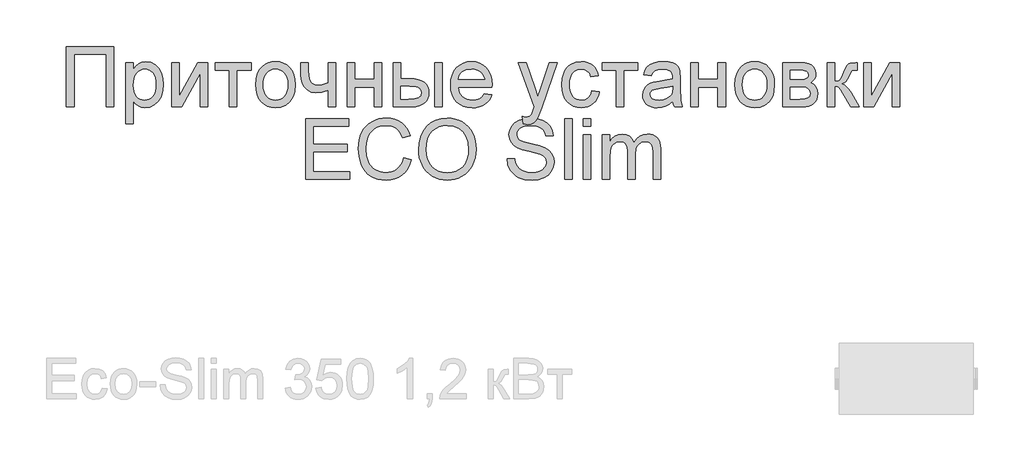
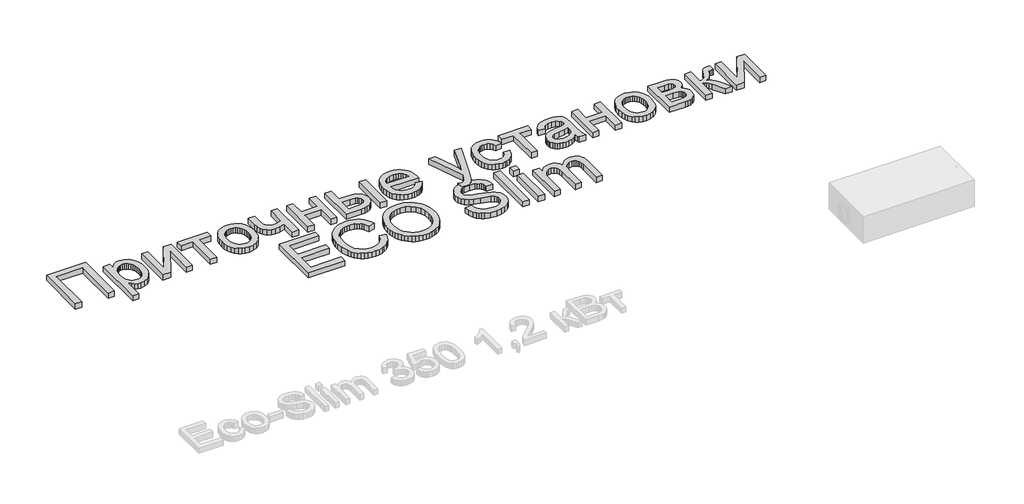
# One storey, part 42 of 74: 1 proxy.
"""IFC4 building model written with IfcOpenShell, lengths in millimetres."""

from ifc_helpers import new_model, si_unit, origin, origin_with_axes, place, context, project, spatial, polyline, outline, extrude, element, save

model = new_model("IFC4")

# Units and contexts
model_context = context("Model", 3, world=origin())
ifc_project = project(units=[si_unit("LENGTHUNIT", "METRE", prefix="MILLI")], contexts=[model_context])

# Site, building, storey
site = spatial("IfcSite", under=ifc_project)
building = spatial("IfcBuilding", under=site)
storey = spatial("IfcBuildingStorey", under=building, Elevation=0.0)

# Proxy
placement = place(None, origin())
element("IfcBuildingElementProxy", 1, Name="Generic Models", at=placement, inside=storey, context=model_context, shape_type="SweptSolid", body=[
    extrude(outline(polyline([(23192.3694949, -1277.4716513), (23543.6633565, -1277.4716513), (23543.6633565, -1727.1277941), (23487.4563387, -1727.1277941), (23487.4563387, -1333.6786691), (23248.5765128, -1333.6786691), (23248.5765128, -1727.1277941), (23192.3694949, -1727.1277941), (23192.3694949, -1277.4716513)])), origin_with_axes(), (0.0, 0.0, 1.0), 50.0),
    extrude(outline(polyline([(23634.9997605, -1853.5935843), (23634.9997605, -1396.9115642), (23691.2067784, -1396.9115642), (23691.2067784, -1452.0207887), (23709.5399268, -1424.8366817), (23730.0686618, -1405.4194624), (23754.0005561, -1393.7691308), (23782.5431824, -1389.885687), (23820.554276, -1395.3197639), (23853.7899687, -1411.6219947), (23880.850574, -1437.8043653), (23900.3364053, -1472.8788618), (23912.1102387, -1514.2931147), (23916.0348498, -1559.4947545), (23911.6025093, -1607.5643794), (23898.3054877, -1650.5567102), (23876.56918, -1686.2898827), (23846.8189811, -1712.5820326), (23812.1698795, -1728.7607616), (23775.7368638, -1734.1536713), (23749.8975536, -1730.5446758), (23726.8301715, -1719.7176892), (23707.0836142, -1703.3742912), (23691.2067784, -1683.2160614), (23691.2067784, -1853.5935843), (23634.9997605, -1853.5935843)]), holes=[polyline([(23691.2067784, -1564.6543831), (23692.726536, -1591.7424332), (23697.2858089, -1615.0430964), (23704.884597, -1634.5563726), (23715.5229004, -1650.2822619), (23728.3293455, -1662.3854332), (23742.4325591, -1671.0305556), (23757.8325409, -1676.217629), (23774.5292912, -1677.9466535), (23791.4661837, -1676.1558781), (23807.1474751, -1670.7835521), (23821.5731654, -1661.8296753), (23834.7432546, -1649.2942479), (23845.7177572, -1632.9988783), (23853.5566876, -1612.7651752), (23858.2600459, -1588.5931386), (23859.8278319, -1560.4827685), (23858.2977825, -1533.6279995), (23853.7076342, -1510.3685036), (23846.057387, -1490.7042808), (23835.347041, -1474.6353311), (23822.5097203, -1462.1479321), (23808.4785495, -1453.2283614), (23793.2535284, -1447.876619), (23776.8346571, -1446.0927048), (23760.4672449, -1447.9898289), (23745.067263, -1453.6812011), (23730.6347115, -1463.1668215), (23717.1695903, -1476.4466901), (23705.8108601, -1493.3424153), (23697.6974814, -1513.6756059), (23692.8294541, -1537.4462619), (23691.2067784, -1564.6543831)])]), origin_with_axes(), (0.0, 0.0, 1.0), 50.0),
    extrude(outline(polyline([(23979.2677449, -1396.9115642), (24035.4747627, -1396.9115642), (24035.4747627, -1648.7453512), (24173.5771621, -1396.9115642), (24246.2510797, -1396.9115642), (24246.2510797, -1727.1277941), (24190.0440618, -1727.1277941), (24190.0440618, -1476.8309177), (24052.8198971, -1727.1277941), (23979.2677449, -1727.1277941), (23979.2677449, -1396.9115642)])), origin_with_axes(), (0.0, 0.0, 1.0), 50.0),
    extrude(outline(polyline([(24302.4580975, -1396.9115642), (24569.4414323, -1396.9115642), (24569.4414323, -1453.1185821), (24464.0532738, -1453.1185821), (24464.0532738, -1727.1277941), (24407.846256, -1727.1277941), (24407.846256, -1453.1185821), (24302.4580975, -1453.1185821), (24302.4580975, -1396.9115642)])), origin_with_axes(), (0.0, 0.0, 1.0), 50.0),
    extrude(outline(polyline([(24604.5708185, -1562.0196791), (24607.6103337, -1519.2537682), (24616.7288795, -1482.4022188), (24631.9264557, -1451.4650309), (24653.2030624, -1426.4422044), (24674.6237545, -1410.4487281), (24698.2674781, -1399.0248163), (24724.1342332, -1392.1704693), (24752.2240197, -1389.885687), (24783.2332503, -1392.6679069), (24811.2715777, -1401.0145667), (24836.339002, -1414.9256664), (24858.4355231, -1434.401206), (24876.470209, -1458.7825095), (24889.3521274, -1487.4109008), (24897.0812785, -1520.2863801), (24899.6576622, -1557.4089472), (24895.1018199, -1614.1923066), (24889.4070171, -1637.4998309), (24881.4342931, -1657.4179184), (24859.0530319, -1689.7890989), (24828.3559862, -1714.0091639), (24791.8955257, -1729.1175445), (24752.2240197, -1734.1536713), (24720.7619493, -1731.3817432), (24692.462896, -1723.0659588), (24667.3268596, -1709.2063182), (24645.3538402, -1689.8028213), (24627.5112682, -1665.1848062), (24614.7665739, -1635.6816107), (24607.1197573, -1601.2932351), (24604.5708185, -1562.0196791)]), holes=[polyline([(24660.7778363, -1561.9098998), (24662.4039427, -1589.1729107), (24667.2822617, -1612.7788977), (24675.4127935, -1632.7278606), (24686.7955379, -1649.0197996), (24700.6414562, -1661.6752981), (24716.1615092, -1670.71494), (24733.355697, -1676.1387251), (24752.2240197, -1677.9466535), (24770.9962854, -1676.1284333), (24788.1218611, -1670.6737727), (24803.6007469, -1661.5826718), (24817.4329427, -1648.8551306), (24828.8156872, -1632.4019532), (24836.9462189, -1612.1339441), (24841.824538, -1588.0511032), (24843.4506443, -1560.1534305), (24841.8142462, -1533.7549318), (24836.9050517, -1510.7664536), (24828.7230609, -1491.1879959), (24817.2682737, -1475.0195587), (24803.3846189, -1462.3640602), (24787.9160249, -1453.3244183), (24770.8624918, -1447.9006332), (24752.2240197, -1446.0927048), (24733.355697, -1447.893772), (24716.1615092, -1453.2969735), (24700.6414562, -1462.3023093), (24686.7955379, -1474.9097794), (24675.4127935, -1491.1536899), (24667.2822617, -1511.0683468), (24662.4039427, -1534.6537501), (24660.7778363, -1561.9098998)])]), origin_with_axes(), (0.0, 0.0, 1.0), 50.0),
    extrude(outline(polyline([(24941.8129256, -1396.9115642), (24998.0199434, -1396.9115642), (24998.0199434, -1460.2542386), (25002.5757857, -1519.6448571), (25010.328951, -1536.907657), (25024.4767624, -1551.8102013), (25044.0174834, -1562.1020136), (25067.9493778, -1565.5326178), (25102.3377534, -1561.2786687), (25145.5633653, -1548.5168213), (25145.5633653, -1396.9115642), (25201.7703832, -1396.9115642), (25201.7703832, -1727.1277941), (25145.5633653, -1727.1277941), (25145.5633653, -1602.4184732), (25097.5897973, -1616.909345), (25052.9096093, -1621.7396356), (25018.9191837, -1616.7035088), (24989.1827072, -1601.5951282), (24966.0055458, -1579.1864221), (24951.6930654, -1552.2493186), (24944.2829606, -1521.5934402), (24941.8129256, -1488.0284096), (24941.8129256, -1396.9115642)])), origin_with_axes(), (0.0, 0.0, 1.0), 50.0),
    extrude(outline(polyline([(25286.0809099, -1396.9115642), (25342.2879278, -1396.9115642), (25342.2879278, -1523.3773544), (25489.8313496, -1523.3773544), (25489.8313496, -1396.9115642), (25546.0383675, -1396.9115642), (25546.0383675, -1727.1277941), (25489.8313496, -1727.1277941), (25489.8313496, -1579.5843722), (25342.2879278, -1579.5843722), (25342.2879278, -1727.1277941), (25286.0809099, -1727.1277941), (25286.0809099, -1396.9115642)])), origin_with_axes(), (0.0, 0.0, 1.0), 50.0),
    extrude(outline(polyline([(25630.3488943, -1396.9115642), (25686.5559121, -1396.9115642), (25686.5559121, -1516.3514771), (25756.0462291, -1516.3514771), (25788.0228901, -1518.1113771), (25816.109246, -1523.3910768), (25840.3052968, -1532.1905763), (25860.6110426, -1544.5098757), (25876.6765617, -1559.92358), (25888.1519325, -1578.0062943), (25895.0371549, -1598.7580186), (25897.3322291, -1622.1787529), (25895.4076602, -1643.0745626), (25889.6339534, -1662.3991556), (25880.0111089, -1680.1525319), (25866.5391265, -1696.3346915), (25848.8406399, -1709.8066739), (25826.5382825, -1719.4295184), (25799.6320544, -1725.2032252), (25768.1219556, -1727.1277941), (25630.3488943, -1727.1277941), (25630.3488943, -1396.9115642)]), holes=[polyline([(25686.5559121, -1670.9207762), (25744.2998406, -1670.9207762), (25789.0623631, -1667.9704567), (25818.8400069, -1659.1194981), (25835.5539101, -1644.0111175), (25841.1252112, -1622.2885323), (25836.9947639, -1603.927939), (25824.6034218, -1587.7080428), (25813.8484779, -1581.0801156), (25798.1054356, -1576.3458819), (25751.6550559, -1572.558495), (25686.5559121, -1572.558495), (25686.5559121, -1670.9207762)])]), origin_with_axes(), (0.0, 0.0, 1.0), 50.0),
    extrude(outline(polyline([(25939.4874925, -1396.9115642), (25995.6945103, -1396.9115642), (25995.6945103, -1727.1277941), (25939.4874925, -1727.1277941), (25939.4874925, -1396.9115642)])), origin_with_axes(), (0.0, 0.0, 1.0), 50.0),
    extrude(outline(polyline([(26311.2003097, -1628.7655128), (26366.3095343, -1635.7913901), (26357.8599563, -1657.863897), (26346.4531976, -1677.3154223), (26332.0892582, -1694.1459661), (26314.768138, -1708.3555284), (26294.6682285, -1719.6422159), (26271.9679211, -1727.7041356), (26246.6672157, -1732.5412874), (26218.7661124, -1734.1536713), (26183.890591, -1731.3714514), (26152.8161789, -1723.0247916), (26125.5428761, -1709.1136919), (26102.0706828, -1689.6381523), (26083.1954989, -1665.1402083), (26069.7132247, -1636.1618953), (26061.6238602, -1602.7032134), (26058.9274054, -1564.7641624), (26061.6513051, -1525.538635), (26069.8230041, -1490.9650067), (26083.4425024, -1461.0432776), (26102.5098001, -1435.7734476), (26125.9202426, -1415.6975524), (26152.5691754, -1401.3576271), (26182.4565984, -1392.753672), (26215.5825118, -1389.885687), (26247.6415073, -1392.7468108), (26276.6335427, -1401.3301823), (26302.558618, -1415.6358015), (26325.4167332, -1435.6636683), (26344.075789, -1460.8786086), (26357.403686, -1490.745448), (26365.4004242, -1525.2641866), (26368.0660036, -1564.4348244), (26367.7366656, -1579.5843722), (26115.1344233, -1579.5843722), (26118.3900666, -1602.0136619), (26124.8636165, -1621.6573011), (26134.5550732, -1638.5152897), (26147.4644364, -1652.5876278), (26162.8781407, -1663.6822015), (26180.0826204, -1671.6068971), (26199.0778754, -1676.3617144), (26219.8639057, -1677.9466535), (26249.7787736, -1675.0100563), (26274.9731303, -1666.200265), (26295.4469756, -1650.9683827), (26311.2003097, -1628.7655128)]), holes=[polyline([(26115.1344233, -1523.3773544), (26311.8589857, -1523.3773544), (26304.256767, -1493.6820451), (26289.3542227, -1472.4397444), (26274.0262835, -1460.9129146), (26256.5850922, -1452.6794647), (26237.0306487, -1447.7393948), (26215.3629531, -1446.0927048), (26177.4753613, -1451.3483903), (26146.1470845, -1467.1154469), (26133.6905609, -1478.5153443), (26124.3696095, -1491.6922947), (26118.1842303, -1506.6462981), (26115.1344233, -1523.3773544)])]), origin_with_axes(), (0.0, 0.0, 1.0), 50.0),
    extrude(outline(polyline([(26599.9199522, -1853.5935843), (26592.894075, -1799.4723737), (26621.4367012, -1804.4124436), (26636.4490249, -1802.8618106), (26648.1130789, -1798.2099114), (26664.4701993, -1780.9196666), (26679.8393057, -1739.5328586), (26684.230479, -1725.9202214), (26564.7905661, -1396.9115642), (26624.0714052, -1396.9115642), (26687.4140796, -1580.2430482), (26709.4797253, -1653.5756418), (26731.545371, -1588.8058361), (26796.6445147, -1396.9115642), (26855.4862365, -1396.9115642), (26740.5472762, -1735.031906), (26710.687298, -1808.3644996), (26695.400526, -1831.7749421), (26678.0828364, -1847.9948383), (26657.9657739, -1857.4633057), (26634.2808831, -1860.6194615), (26599.9199522, -1853.5935843)])), origin_with_axes(), (0.0, 0.0, 1.0), 50.0),
    extrude(outline(polyline([(27112.8089901, -1607.6878812), (27169.016008, -1614.7137584), (27162.9026714, -1641.2357588), (27153.3450084, -1664.7045216), (27140.3430188, -1685.1200467), (27123.8967026, -1702.4823341), (27104.699042, -1716.3385441), (27083.4430189, -1726.235837), (27060.1286333, -1732.1742127), (27034.7558853, -1734.1536713), (27003.232064, -1731.392035), (26974.9673167, -1723.1071261), (26949.9616433, -1709.2989445), (26928.2150438, -1689.9674903), (26910.6126141, -1665.4764075), (26898.03945, -1636.1893402), (26890.4955515, -1602.1062883), (26887.9809187, -1563.2272518), (26892.2760351, -1513.2090438), (26905.1613841, -1469.8599301), (26914.876855, -1451.1048174), (26926.8428022, -1434.8540457), (26941.0592256, -1421.107615), (26957.5261254, -1409.8655254), (26994.2335894, -1394.8806466), (27033.9874299, -1389.885687), (27058.9244913, -1391.600989), (27081.4807133, -1396.7468952), (27101.6560961, -1405.3234055), (27119.4506397, -1417.3305199), (27134.5624508, -1432.4937901), (27146.6896364, -1450.5387678), (27155.8321964, -1471.4654529), (27161.9901307, -1495.2738454), (27105.7831129, -1502.2997227), (27095.5873575, -1477.7777645), (27079.7105216, -1460.199349), (27059.03084, -1449.6193659), (27034.4265473, -1446.0927048), (27015.3283741, -1447.8285905), (26998.1033109, -1453.0362476), (26982.7513574, -1461.715676), (26969.2725139, -1473.8668758), (26958.2980113, -1489.7711564), (26950.4590809, -1509.7098276), (26945.7557227, -1533.6828891), (26944.1879366, -1561.6903412), (26945.7214166, -1590.1197575), (26950.3218567, -1614.370698), (26957.9892569, -1634.4431627), (26968.7236172, -1650.3371515), (26981.9348737, -1662.4163086), (26997.0329624, -1671.044278), (27014.0178834, -1676.2210596), (27032.8896366, -1677.9466535), (27061.9948819, -1673.6378147), (27085.8581642, -1660.7112984), (27103.217021, -1638.8377665), (27112.8089901, -1607.6878812)])), origin_with_axes(), (0.0, 0.0, 1.0), 50.0),
    extrude(outline(polyline([(27190.0936397, -1396.9115642), (27457.0769745, -1396.9115642), (27457.0769745, -1453.1185821), (27351.688816, -1453.1185821), (27351.688816, -1727.1277941), (27295.4817981, -1727.1277941), (27295.4817981, -1453.1185821), (27190.0936397, -1453.1185821), (27190.0936397, -1396.9115642)])), origin_with_axes(), (0.0, 0.0, 1.0), 50.0),
    extrude(outline(polyline([(27717.034432, -1684.9725307), (27690.179663, -1707.9987455), (27662.5289938, -1723.0659588), (27633.4511933, -1731.3817432), (27602.3150304, -1734.1536713), (27577.2887733, -1732.4863977), (27555.3431988, -1727.4845769), (27536.4783068, -1719.1482089), (27520.6940972, -1707.4772937), (27508.2307125, -1693.2128418), (27499.3282948, -1677.0958636), (27493.9868442, -1659.1263593), (27492.2063606, -1639.3043287), (27494.8959543, -1616.0036655), (27502.9647351, -1594.8436993), (27515.4109669, -1576.7301096), (27531.2329131, -1562.5685758), (27549.8267874, -1551.865091), (27570.5888035, -1544.1256481), (27619.2210475, -1535.6726395), (27676.6905276, -1526.7805137), (27716.705094, -1516.3514771), (27717.034432, -1503.8366333), (27713.1647106, -1478.752056), (27701.5555463, -1462.3400459), (27675.5927343, -1450.1545401), (27639.4204445, -1446.0927048), (27605.9377483, -1448.7960209), (27582.5547507, -1456.905969), (27566.6093027, -1471.9045702), (27555.4392557, -1495.2738454), (27499.2322379, -1488.2479682), (27508.988876, -1457.5097553), (27523.5483598, -1433.3583023), (27544.2692087, -1414.8879298), (27572.5099418, -1401.1929581), (27607.049264, -1392.7125048), (27646.6658804, -1389.885687), (27684.6632516, -1392.3831668), (27714.7839557, -1399.8756062), (27737.494555, -1411.1417101), (27753.2616115, -1424.9601835), (27763.7180929, -1442.044592), (27770.4969666, -1463.1085012), (27773.2414499, -1512.2896419), (27773.2414499, -1582.2190762), (27776.0957125, -1679.8677918), (27787.2932044, -1727.1277941), (27731.0861865, -1727.1277941), (27722.0842813, -1707.587073), (27717.034432, -1684.9725307)]), holes=[polyline([(27717.034432, -1572.558495), (27679.2703419, -1581.917183), (27626.356704, -1589.7938501), (27577.9989084, -1598.9055346), (27565.4154525, -1605.1355117), (27556.0979317, -1613.7257444), (27550.3345168, -1624.0175567), (27548.4133785, -1635.3522728), (27552.5987155, -1652.066176), (27565.1547266, -1665.7611476), (27585.8069634, -1674.900277), (27614.2809775, -1677.9466535), (27644.4702938, -1674.5846614), (27671.1466714, -1664.4986853), (27692.7731997, -1649.6373083), (27707.8129682, -1631.9491135), (27714.4820626, -1613.7257444), (27716.705094, -1588.4764981), (27717.034432, -1572.558495)])]), origin_with_axes(), (0.0, 0.0, 1.0), 50.0),
    extrude(outline(polyline([(27850.5260994, -1396.9115642), (27906.7331173, -1396.9115642), (27906.7331173, -1523.3773544), (28054.2765392, -1523.3773544), (28054.2765392, -1396.9115642), (28110.483557, -1396.9115642), (28110.483557, -1727.1277941), (28054.2765392, -1727.1277941), (28054.2765392, -1579.5843722), (27906.7331173, -1579.5843722), (27906.7331173, -1727.1277941), (27850.5260994, -1727.1277941), (27850.5260994, -1396.9115642)])), origin_with_axes(), (0.0, 0.0, 1.0), 50.0),
    extrude(outline(polyline([(28180.7423293, -1562.0196791), (28183.7818446, -1519.2537682), (28192.9003903, -1482.4022188), (28208.0979665, -1451.4650309), (28229.3745733, -1426.4422044), (28250.7952654, -1410.4487281), (28274.438989, -1399.0248163), (28300.305744, -1392.1704693), (28328.3955305, -1389.885687), (28359.4047611, -1392.6679069), (28387.4430886, -1401.0145667), (28412.5105129, -1414.9256664), (28434.607034, -1434.401206), (28452.6417198, -1458.7825095), (28465.5236383, -1487.4109008), (28473.2527894, -1520.2863801), (28475.829173, -1557.4089472), (28471.2733308, -1614.1923066), (28465.5785279, -1637.4998309), (28457.605804, -1657.4179184), (28435.2245427, -1689.7890989), (28404.5274971, -1714.0091639), (28368.0670365, -1729.1175445), (28328.3955305, -1734.1536713), (28296.9334602, -1731.3817432), (28268.6344068, -1723.0659588), (28243.4983704, -1709.2063182), (28221.5253511, -1689.8028213), (28203.682779, -1665.1848062), (28190.9380848, -1635.6816107), (28183.2912682, -1601.2932351), (28180.7423293, -1562.0196791)]), holes=[polyline([(28236.9493472, -1561.9098998), (28238.5754535, -1589.1729107), (28243.4537726, -1612.7788977), (28251.5843043, -1632.7278606), (28262.9670488, -1649.0197996), (28276.812967, -1661.6752981), (28292.33302, -1670.71494), (28309.5272079, -1676.1387251), (28328.3955305, -1677.9466535), (28347.1677962, -1676.1284333), (28364.293372, -1670.6737727), (28379.7722578, -1661.5826718), (28393.6044536, -1648.8551306), (28404.987198, -1632.4019532), (28413.1177298, -1612.1339441), (28417.9960488, -1588.0511032), (28419.6221552, -1560.1534305), (28417.985757, -1533.7549318), (28413.0765625, -1510.7664536), (28404.8945717, -1491.1879959), (28393.4397846, -1475.0195587), (28379.5561297, -1462.3640602), (28364.0875357, -1453.3244183), (28347.0340027, -1447.9006332), (28328.3955305, -1446.0927048), (28309.5272079, -1447.893772), (28292.33302, -1453.2969735), (28276.812967, -1462.3023093), (28262.9670488, -1474.9097794), (28251.5843043, -1491.1536899), (28243.4537726, -1511.0683468), (28238.5754535, -1534.6537501), (28236.9493472, -1561.9098998)])]), origin_with_axes(), (0.0, 0.0, 1.0), 50.0),
    extrude(outline(polyline([(28539.0620681, -1396.9115642), (28662.8931543, -1396.9115642), (28702.7018845, -1398.7915353), (28730.791671, -1404.4314484), (28751.4576302, -1415.0800436), (28768.9948785, -1431.9860607), (28780.974548, -1454.0105391), (28784.9677712, -1480.0145183), (28782.5526259, -1500.9686483), (28775.30719, -1519.0410708), (28763.2040187, -1534.3141203), (28746.2156671, -1546.8701314), (28767.0188505, -1558.5479078), (28783.9797572, -1577.3338959), (28795.2595836, -1601.7460748), (28799.0195257, -1630.3024235), (28795.8976759, -1653.3080547), (28789.4961687, -1673.1438077), (28779.8150038, -1689.8096825), (28766.8541815, -1703.3056791), (28750.593118, -1713.7278544), (28731.0112297, -1721.1722653), (28708.1085166, -1725.6389119), (28681.8849787, -1727.1277941), (28539.0620681, -1727.1277941), (28539.0620681, -1396.9115642)]), holes=[polyline([(28595.269086, -1523.3773544), (28650.8174278, -1523.3773544), (28696.6502988, -1520.5230917), (28718.9355032, -1509.1060412), (28726.3044408, -1499.6650187), (28728.7607534, -1488.4675269), (28724.4519146, -1471.698734), (28711.5253983, -1460.9129146), (28688.1698455, -1455.0671652), (28652.5738971, -1453.1185821), (28595.269086, -1453.1185821), (28595.269086, -1523.3773544)]), polyline([(28595.269086, -1670.9207762), (28664.2105063, -1670.9207762), (28701.7824826, -1668.3821292), (28725.3575941, -1660.766188), (28738.0096621, -1646.9202698), (28742.8125078, -1625.6916916), (28740.411085, -1611.6262147), (28733.2068163, -1598.6310863), (28722.1465486, -1588.4627757), (28708.1771287, -1582.8777522), (28658.7215397, -1579.5843722), (28595.269086, -1579.5843722), (28595.269086, -1670.9207762)])]), origin_with_axes(), (0.0, 0.0, 1.0), 50.0),
    extrude(outline(polyline([(28869.278298, -1396.9115642), (28925.4853159, -1396.9115642), (28925.4853159, -1537.4291088), (28948.3468617, -1534.9041842), (28963.1396266, -1527.3294103), (28976.230812, -1507.5691306), (28993.9876189, -1468.4876885), (29008.3000992, -1436.5281805), (29019.6210928, -1417.7147476), (29030.1873535, -1407.4641025), (29042.2356352, -1401.1929581), (29083.3479949, -1396.9115642), (29094.1063694, -1396.9115642), (29094.1063694, -1453.4479201), (29078.9568216, -1453.1185821), (29061.3921286, -1454.600603), (29051.5119887, -1459.046666), (29032.1908263, -1496.0423008), (29020.3209361, -1520.7014832), (29009.5213943, -1536.0568672), (28996.4439314, -1546.3075123), (28977.7402778, -1555.6524779), (28995.5519743, -1563.563451), (29013.1990019, -1577.5260098), (29030.6813605, -1597.5401542), (29047.9990501, -1623.6058843), (29108.1581239, -1727.1277941), (29044.2665528, -1727.1277941), (28985.3150517, -1625.8014709), (28969.3970486, -1598.8369225), (28955.6746321, -1582.9326418), (28941.8149915, -1575.1520317), (28925.4853159, -1572.558495), (28925.4853159, -1727.1277941), (28869.278298, -1727.1277941), (28869.278298, -1396.9115642)])), origin_with_axes(), (0.0, 0.0, 1.0), 50.0),
    extrude(outline(polyline([(29143.28751, -1396.9115642), (29199.4945279, -1396.9115642), (29199.4945279, -1648.7453512), (29337.5969272, -1396.9115642), (29410.2708448, -1396.9115642), (29410.2708448, -1727.1277941), (29354.063827, -1727.1277941), (29354.063827, -1476.8309177), (29216.8396623, -1727.1277941), (29143.28751, -1727.1277941), (29143.28751, -1396.9115642)])), origin_with_axes(), (0.0, 0.0, 1.0), 50.0),
    extrude(outline(polyline([(24976.9423117, -2267.5598773), (24976.9423117, -1817.9037344), (25300.1326644, -1817.9037344), (25300.1326644, -1874.1107523), (25033.1493296, -1874.1107523), (25033.1493296, -2007.6024197), (25286.0809099, -2007.6024197), (25286.0809099, -2063.8094376), (25033.1493296, -2063.8094376), (25033.1493296, -2211.3528594), (25307.1585416, -2211.3528594), (25307.1585416, -2267.5598773), (24976.9423117, -2267.5598773)])), origin_with_axes(), (0.0, 0.0, 1.0), 50.0),
    extrude(outline(polyline([(25707.6335438, -2107.7211702), (25763.8405617, -2122.212042), (25752.7185431, -2157.1664674), (25737.9051946, -2187.7091358), (25719.4005159, -2213.8400474), (25697.2045073, -2235.5592021), (25671.8180368, -2252.6333188), (25643.7419727, -2264.8291164), (25612.976315, -2272.146595), (25579.5210637, -2274.5857545), (25545.2458979, -2272.7400895), (25514.325863, -2267.2030944), (25486.760959, -2257.9747694), (25462.5511857, -2245.0551143), (25441.3637747, -2228.636243), (25422.8659573, -2208.9102693), (25407.0577335, -2185.8771932), (25393.9391034, -2159.5370148), (25376.2783534, -2101.4911932), (25370.3914367, -2039.3286466), (25372.0552797, -2005.4274167), (25377.0468087, -1973.7629407), (25385.3660237, -1944.3352186), (25397.0129247, -1917.1442503), (25411.7267857, -1892.6394451), (25429.2468809, -1871.2702121), (25449.5732103, -1853.0365512), (25472.7057739, -1837.9384625), (25497.8589633, -1826.0994477), (25524.2471701, -1817.6430085), (25551.8703945, -1812.569145), (25580.7286363, -1810.8778572), (25612.8768275, -1813.0665826), (25642.3560087, -1819.6327589), (25669.1661799, -1830.5763861), (25693.307341, -1845.897464), (25714.3815421, -1865.1911816), (25731.9908331, -1888.0527274), (25746.1352138, -1914.4821015), (25756.8146844, -1944.4793039), (25700.6076666, -1957.8723824), (25681.1218352, -1916.8835244), (25668.7030483, -1901.2159554), (25654.5003473, -1888.7662931), (25638.4313976, -1879.2806727), (25620.4138648, -1872.5052296), (25578.5330497, -1867.0848751), (25553.3181094, -1868.5874797), (25530.2575886, -1873.0952935), (25509.3514871, -1880.6083165), (25490.599805, -1891.1265487), (25474.2392539, -1904.1765668), (25460.5065457, -1919.2849473), (25449.4016801, -1936.4516903), (25440.9246574, -1955.6767958), (25430.1800053, -1996.8166004), (25426.5984546, -2039.2188672), (25430.8386813, -2091.1444912), (25443.5593613, -2136.0442378), (25453.2199425, -2155.4305817), (25465.2407793, -2172.2028052), (25479.6218718, -2186.3609084), (25496.3632199, -2197.9048913), (25533.6744703, -2213.2602753), (25573.9223178, -2218.3787366), (25598.3585109, -2216.6359898), (25620.8392597, -2211.4077491), (25641.3645641, -2202.6940146), (25659.9344242, -2190.4947864), (25676.1097226, -2174.864954), (25689.451342, -2155.8594072), (25699.9592824, -2133.478146), (25707.6335438, -2107.7211702)])), origin_with_axes(), (0.0, 0.0, 1.0), 50.0),
    extrude(outline(polyline([(25820.0475795, -2048.6598898), (25823.7937992, -1995.9177821), (25835.0324583, -1949.22726), (25853.7635568, -1908.5883237), (25879.9870947, -1874.000973), (25912.1318552, -1846.3846098), (25948.6266218, -1826.6586362), (25989.4713944, -1814.823052), (26034.6661731, -1810.8778572), (26064.9172402, -1812.7303834), (26093.6451191, -1818.2879621), (26120.8498097, -1827.5505932), (26146.5313121, -1840.5182768), (26169.9691995, -1856.7999239), (26190.4430448, -1876.0044458), (26207.9528482, -1898.1318423), (26222.4986097, -1923.1821136), (26233.9293826, -1950.5857793), (26242.0942204, -1979.7733591), (26246.9931231, -2010.7448531), (26248.6260907, -2043.5002612), (26246.907358, -2076.6879254), (26241.75116, -2108.0779531), (26233.1574967, -2137.6703442), (26221.126368, -2165.4650987), (26205.9425142, -2190.7280675), (26187.8906754, -2212.7251011), (26166.9708515, -2231.4561995), (26143.1830425, -2246.9213629), (26117.4638034, -2259.0245342), (26090.7496892, -2267.6696566), (26063.0406997, -2272.85673), (26034.3368351, -2274.5857545), (26003.557455, -2272.674908), (25974.4522096, -2266.9423685), (25947.0210991, -2257.3881361), (25921.2641234, -2244.0122106), (25897.8536809, -2227.3326134), (25877.46217, -2207.8673656), (25860.0895908, -2185.6164673), (25845.7359432, -2160.5799185), (25834.4972841, -2133.7628861), (25826.4696704, -2106.1705372), (25821.6531023, -2077.8028717), (25820.0475795, -2048.6598898)]), holes=[polyline([(25876.2545974, -2049.2087864), (25879.0642622, -2086.4720083), (25887.4932565, -2119.5498932), (25901.5415803, -2148.4424411), (25921.2092337, -2173.149652), (25945.1171138, -2192.9373765), (25971.8861177, -2207.0714655), (26001.5162455, -2215.5519189), (26034.0074971, -2218.3787366), (26067.0545066, -2215.524474), (26097.0345559, -2206.9616861), (26123.9476452, -2192.690373), (26147.7937744, -2172.7105346), (26167.3173425, -2147.481872), (26181.2627482, -2117.4640859), (26189.6299917, -2082.6571766), (26192.4190728, -2043.0611439), (26187.6436719, -1993.3036617), (26173.3174691, -1950.2976085), (26149.8109697, -1915.1270551), (26117.4946789, -1888.8760724), (26078.5092937, -1872.5326744), (26034.9955111, -1867.0848751), (26003.6329282, -1869.7092872), (25974.5345441, -1877.5825237), (25947.7003587, -1890.7045844), (25923.130372, -1909.0754695), (25902.6222206, -1933.5802747), (25887.973541, -1965.1040959), (25879.1843333, -2003.6469332), (25876.2545974, -2049.2087864)])]), origin_with_axes(), (0.0, 0.0, 1.0), 50.0),
    extrude(outline(polyline([(26480.4800393, -2112.9905782), (26536.6870571, -2112.9905782), (26543.1365929, -2144.1816308), (26554.8006469, -2169.2524857), (26572.9965711, -2189.1499896), (26599.0417176, -2204.8209892), (26630.8777238, -2214.9892998), (26666.4462273, -2218.3787366), (26697.7607816, -2215.8126448), (26725.1781697, -2208.1143691), (26747.394762, -2195.9288633), (26763.1069289, -2179.9010809), (26772.4518945, -2161.4993204), (26775.566883, -2142.1918804), (26773.2340722, -2123.3784474), (26766.2356398, -2107.1173839), (26752.0192164, -2093.2440209), (26728.0324324, -2081.5936893), (26646.1919406, -2060.1318299), (26592.4686801, -2045.9291289), (26558.0940268, -2032.4125487), (26530.1140197, -2013.5030588), (26510.2851279, -1990.5866233), (26498.4701273, -1964.1572492), (26494.5317938, -1934.7089434), (26499.4032516, -1901.7888663), (26514.0176251, -1871.0918207), (26537.9906867, -1845.0741191), (26570.9382086, -1826.192074), (26610.4862129, -1814.7064114), (26654.2607214, -1810.8778572), (26701.6853928, -1814.8848028), (26743.1819802, -1826.9056397), (26777.2684627, -1846.6933642), (26802.4628193, -1874.000973), (26818.4082672, -1907.1268863), (26824.7480236, -1944.3695246), (26768.5410058, -1944.3695246), (26764.7810637, -1926.4343263), (26758.2217486, -1910.8319388), (26748.8630606, -1897.562362), (26736.7049996, -1886.6255961), (26721.5211458, -1878.0765307), (26703.0850792, -1871.9700553), (26656.4563081, -1867.0848751), (26608.7297436, -1871.9151657), (26590.4857909, -1877.9530289), (26575.9880579, -1886.4060375), (26557.0511232, -1907.7306726), (26552.3168895, -1919.8955948), (26550.7388116, -1933.0622534), (26555.2123194, -1954.661337), (26568.6328427, -1972.0339162), (26600.3590696, -1987.5676917), (26660.408364, -2003.4308051), (26722.3787968, -2018.4980184), (26759.8684386, -2031.6440934), (26791.910281, -2052.0356042), (26814.2640975, -2077.202516), (26827.39645, -2106.8703804), (26831.7739009, -2140.7647491), (26826.737774, -2175.4138507), (26811.6293935, -2208.0045898), (26787.066268, -2236.0532091), (26753.6659063, -2257.0759511), (26713.5003933, -2270.2083036), (26668.6418139, -2274.5857545), (26613.5737566, -2269.8652432), (26568.248615, -2255.7037094), (26549.1092747, -2245.0688367), (26532.1449373, -2232.0462634), (26517.3556029, -2216.6359898), (26504.7412716, -2198.8380156), (26487.1491337, -2158.3843318), (26480.4800393, -2112.9905782)])), origin_with_axes(), (0.0, 0.0, 1.0), 50.0),
    extrude(outline(polyline([(26909.0585504, -2267.5598773), (26909.0585504, -1817.9037344), (26965.2655683, -1817.9037344), (26965.2655683, -2267.5598773), (26909.0585504, -2267.5598773)])), origin_with_axes(), (0.0, 0.0, 1.0), 50.0),
    extrude(outline(polyline([(27049.576095, -2267.5598773), (27049.576095, -1937.3436474), (27105.7831129, -1937.3436474), (27105.7831129, -2267.5598773), (27049.576095, -2267.5598773)])), origin_with_axes(), (0.0, 0.0, 1.0), 50.0),
    extrude(outline(polyline([(27049.576095, -1874.1107523), (27049.576095, -1817.9037344), (27105.7831129, -1817.9037344), (27105.7831129, -1874.1107523), (27049.576095, -1874.1107523)])), origin_with_axes(), (0.0, 0.0, 1.0), 50.0),
    extrude(outline(polyline([(27190.0936397, -2267.5598773), (27190.0936397, -1937.3436474), (27246.3006575, -1937.3436474), (27246.3006575, -1991.6844166), (27263.2066746, -1966.723341), (27284.9429823, -1947.1688976), (27310.7685701, -1934.530552), (27339.9424275, -1930.3177702), (27371.2020922, -1934.6128865), (27396.2592247, -1947.4982356), (27414.9766007, -1968.1230275), (27427.2169962, -1995.6364725), (27447.704564, -1967.0595402), (27471.0738393, -1946.6474457), (27497.324822, -1934.4001891), (27526.4575121, -1930.3177702), (27548.9588445, -1932.0159192), (27568.7088324, -1937.1103663), (27585.7074758, -1945.6011115), (27599.9547747, -1957.4881548), (27611.2174481, -1972.9087203), (27619.2622147, -1992.0000322), (27624.0890747, -2014.7620905), (27625.698028, -2041.1948952), (27625.698028, -2267.5598773), (27569.4910102, -2267.5598773), (27569.4910102, -2065.3463482), (27568.1873806, -2037.3114514), (27564.2764919, -2018.4156839), (27556.9487215, -2005.4754451), (27545.3944469, -1995.3071345), (27530.5330698, -1988.7203746), (27513.2839923, -1986.524788), (27482.8339502, -1992.1509788), (27458.0100988, -2009.029551), (27448.380393, -2021.9766509), (27441.5020318, -2038.3131878), (27435.9993428, -2081.154572), (27435.9993428, -2267.5598773), (27379.7923249, -2267.5598773), (27379.7923249, -2059.0889263), (27376.5401122, -2027.3078097), (27366.7834741, -2004.6383777), (27349.6167311, -1991.0531854), (27324.1342037, -1986.524788), (27302.4802305, -1989.5437196), (27282.527837, -1998.6005145), (27266.0609372, -2013.4756139), (27254.8634454, -2033.9494593), (27248.4413545, -2062.3548614), (27246.3006575, -2101.024631), (27246.3006575, -2267.5598773), (27190.0936397, -2267.5598773)])), origin_with_axes(), (0.0, 0.0, 1.0), 50.0),
])

save(model, "model.ifc")
